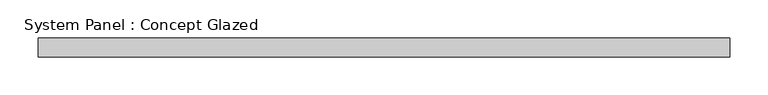
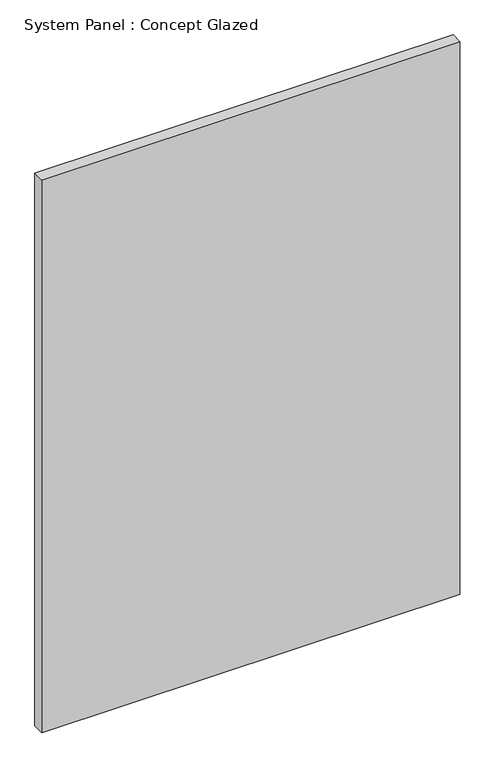
"""IFC4 building model written with IfcOpenShell, lengths in millimetres: plate geometry, System Panel : Concept Glazed."""

from ifc_helpers import new_model, si_unit, origin, origin_with_axes, place, context, project, spatial, polyline, outline, extrude, source, transform, mapped, element, save


def system_panel_concept_glazed_51cae9e7(model_context):
    return source(origin(), model_context, "Body", "SweptSolid", [
        extrude(outline(polyline([(455.0, 0.0), (-455.0, 0.0), (-455.0, 25.0), (455.0, 25.0), (455.0, 0.0)])), origin_with_axes(), (0.0, 0.0, 1.0), 1271.8941641),
    ])


if __name__ == "__main__":
    model = new_model("IFC4")
    model_context = context("Model", 3, world=origin())
    ifc_project = project(units=[si_unit("LENGTHUNIT", "METRE", prefix="MILLI")], contexts=[model_context])
    site = spatial("IfcSite", under=ifc_project)
    building = spatial("IfcBuilding", under=site)
    placement = place(None, origin())
    system_panel_concept_glazed_shape = system_panel_concept_glazed_51cae9e7(model_context)
    element("IfcPlate", 1, ObjectType="System Panel : Concept Glazed", at=placement, inside=building, context=model_context, shape_type="MappedRepresentation", body=[
        mapped(system_panel_concept_glazed_shape, transform((0.0, 0.0, 0.0), x_axis=(1.0, 0.0, 0.0), y_axis=(0.0, 1.0, 0.0), z_axis=(0.0, 0.0, 1.0))),
    ])
    save(model, "model.ifc")
